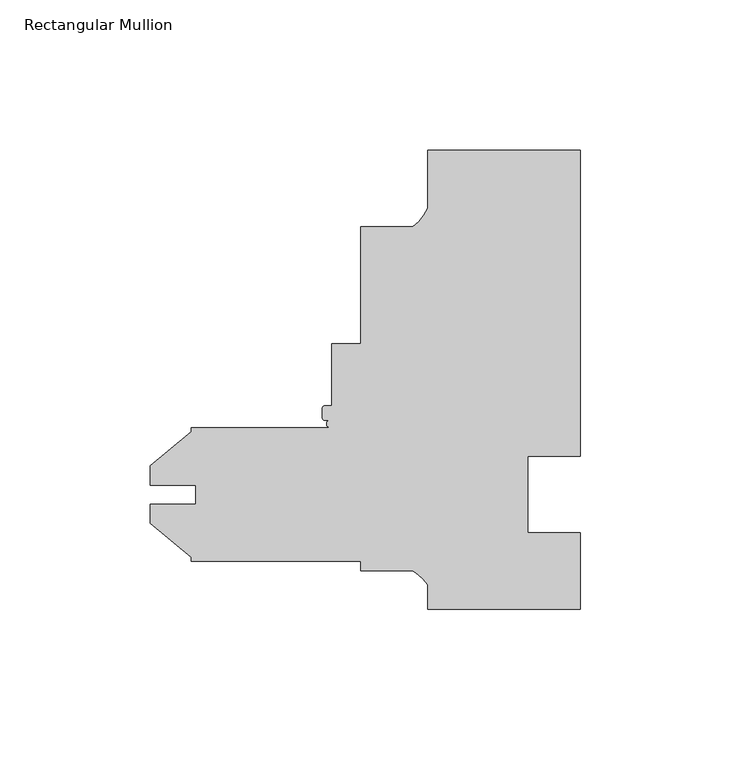
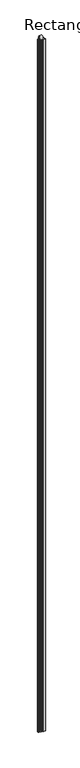
"""IFC4 building model written with IfcOpenShell, lengths in millimetres: member geometry, Rectangular Mullion."""

from ifc_helpers import new_model, si_unit, frame, origin, place, context, project, spatial, polyline, circle_curve, source, transform, mapped, element, save
from ifc_brep_helpers import plane_surface, cylinder_surface, revolved_surface, advanced_brep


def rectangular_mullion_3e98a69f(model_context):
    return source(origin(), model_context, "Body", "AdvancedBrep", [
        advanced_brep(
        [(25.4, 152.4, 0.0), (-25.4, 152.4, 0.0), (-25.4, 133.228246, 0.0), (-30.2934851, 127.0, 0.0), (-47.625, 127.0, 0.0), (-47.625, 88.162055, 0.0), (-57.1524573, 88.162055, 0.0), (-57.1524573, 67.537255, 0.0), (-59.5400573, 67.537255, 0.0), (-60.3274573, 66.749855, 0.0), (-60.3274573, 63.549455, 0.0), (-59.5400573, 62.762055, 0.0), (-57.7417167, 62.768405, 0.0), (-57.7417167, 60.325, 0.0), (-103.98125, 60.325, 0.0), (-103.98125, 58.9257533, 0.0), (-117.44325, 47.629794, 0.0), (-117.44325, 41.2595221, 0.0), (-102.40645, 41.2595221, 0.0), (-102.40645, 34.9353979, 0.0), (-117.44325, 34.9353979, 0.0), (-117.44325, 28.565126, 0.0), (-103.98125, 17.2691667, 0.0), (-103.98125, 15.875, 0.0), (-47.625, 15.875, 0.0), (-47.625, 12.7, 0.0), (-30.3723453, 12.7, 0.0), (-25.4000102, 8.1515407, 0.0), (-25.4000102, 0.0, 0.0), (25.3999898, 0.0, 0.0), (25.3999898, 25.4, 0.0), (7.9502, 25.4, 0.0), (7.9502, 50.8, 0.0), (25.4, 50.8, 0.0), (25.4, 152.4, -15837.0064664), (25.4, 50.8, -15837.0064664), (7.9502, 50.8, -15837.0064664), (7.9502, 25.4, -15837.0064664), (25.3999898, 25.4, -15837.0064664), (25.3999898, 0.0, -15837.0064664), (-25.4000102, 0.0, -15837.0064664), (-25.4000102, 8.1515407, -15837.0064664), (-30.3723453, 12.7, -15837.0064664), (-47.625, 12.7, -15837.0064664), (-47.625, 15.875, -15837.0064664), (-103.98125, 15.875, -15837.0064664), (-103.98125, 17.2691667, -15837.0064664), (-117.44325, 28.565126, -15837.0064664), (-117.44325, 34.9353979, -15837.0064664), (-102.40645, 34.9353979, -15837.0064664), (-102.40645, 41.2595221, -15837.0064664), (-117.44325, 41.2595221, -15837.0064664), (-117.44325, 47.629794, -15837.0064664), (-103.98125, 58.9257533, -15837.0064664), (-103.98125, 60.325, -15837.0064664), (-57.7417167, 60.325, -15837.0064664), (-57.7417167, 62.768405, -15837.0064664), (-59.5400573, 62.762055, -15837.0064664), (-60.3274573, 63.549455, -15837.0064664), (-60.3274573, 66.749855, -15837.0064664), (-59.5400573, 67.537255, -15837.0064664), (-57.1524573, 67.537255, -15837.0064664), (-57.1524573, 88.162055, -15837.0064664), (-47.625, 88.162055, -15837.0064664), (-47.625, 127.0, -15837.0064664), (-30.2934851, 127.0, -15837.0064664), (-25.4, 133.228246, -15837.0064664), (-25.4, 152.4, -15837.0064664)],
        [
            (0, 1),
            (1, 2),
            (2, 3, circle_curve(frame((-39.5144624, 139.281361, 0.0), z_axis=(0.0, 0.0, -1.0), x_axis=(1.0, 0.0, 0.0)), 15.3576772)),
            (3, 4),
            (4, 5),
            (5, 6),
            (6, 7),
            (7, 8),
            (8, 9, circle_curve(frame((-59.5400573, 66.749855, 0.0), z_axis=(0.0, 0.0, 1.0), x_axis=(1.0, 0.0, 0.0)), 0.7874)),
            (9, 10),
            (10, 11, circle_curve(frame((-59.5400573, 63.549455, 0.0), z_axis=(0.0, 0.0, 1.0), x_axis=(1.0, 0.0, 0.0)), 0.7874)),
            (11, 12),
            (12, 13, circle_curve(frame((-57.7417167, 61.5467025, 0.0), z_axis=(0.0, 0.0, 1.0), x_axis=(1.0, 0.0, 0.0)), 1.2217025)),
            (13, 14),
            (14, 15),
            (15, 16),
            (16, 17),
            (17, 18),
            (18, 19),
            (19, 20),
            (20, 21),
            (21, 22),
            (22, 23),
            (23, 24),
            (24, 25),
            (25, 26),
            (26, 27, circle_curve(frame((-37.3094465, 0.1243368, 0.0), z_axis=(0.0, 0.0, -1.0), x_axis=(1.0, 0.0, 0.0)), 14.3621265)),
            (27, 28),
            (28, 29),
            (29, 30),
            (30, 31),
            (31, 32),
            (32, 33),
            (33, 0),
            (34, 35),
            (35, 36),
            (36, 37),
            (37, 38),
            (38, 39),
            (39, 40),
            (40, 41),
            (41, 42, circle_curve(frame((-37.3094465, 0.1243368, -15837.0064664), z_axis=(0.0, 0.0, 1.0), x_axis=(1.0, 0.0, 0.0)), 14.3621265)),
            (42, 43),
            (43, 44),
            (44, 45),
            (45, 46),
            (46, 47),
            (47, 48),
            (48, 49),
            (49, 50),
            (50, 51),
            (51, 52),
            (52, 53),
            (53, 54),
            (54, 55),
            (55, 56, circle_curve(frame((-57.7417167, 61.5467025, -15837.0064664), z_axis=(0.0, 0.0, -1.0), x_axis=(1.0, 0.0, 0.0)), 1.2217025)),
            (56, 57),
            (57, 58, circle_curve(frame((-59.5400573, 63.549455, -15837.0064664), z_axis=(0.0, 0.0, -1.0), x_axis=(1.0, 0.0, 0.0)), 0.7874)),
            (58, 59),
            (59, 60, circle_curve(frame((-59.5400573, 66.749855, -15837.0064664), z_axis=(0.0, 0.0, -1.0), x_axis=(1.0, 0.0, 0.0)), 0.7874)),
            (60, 61),
            (61, 62),
            (62, 63),
            (63, 64),
            (64, 65),
            (65, 66, circle_curve(frame((-39.5144624, 139.281361, -15837.0064664), z_axis=(0.0, 0.0, 1.0), x_axis=(1.0, 0.0, 0.0)), 15.3576772)),
            (66, 67),
            (67, 34),
            (0, 34),
            (67, 1),
            (66, 2),
            (65, 3),
            (64, 4),
            (63, 5),
            (62, 6),
            (61, 7),
            (60, 8),
            (59, 9),
            (58, 10),
            (57, 11),
            (56, 12),
            (55, 13),
            (54, 14),
            (53, 15),
            (52, 16),
            (51, 17),
            (50, 18),
            (49, 19),
            (48, 20),
            (47, 21),
            (46, 22),
            (45, 23),
            (44, 24),
            (43, 25),
            (42, 26),
            (41, 27),
            (40, 28),
            (39, 29),
            (38, 30),
            (37, 31),
            (36, 32),
            (35, 33),
        ],
        [
            plane_surface(frame((0.0, -154.5021683, 0.0), z_axis=(0.0, 0.0, 1.0), x_axis=(-1.0, 0.0, 0.0))),
            plane_surface(frame((0.0, -154.5021683, -15837.0064664), z_axis=(0.0, 0.0, -1.0), x_axis=(-1.0, 0.0, 0.0))),
            plane_surface(frame((25.4, 152.4, 0.0), z_axis=(0.0, 1.0, 0.0), x_axis=(0.0, 0.0, -1.0))),
            plane_surface(frame((-25.4, 152.4, 0.0), z_axis=(-1.0, 0.0, 0.0), x_axis=(0.0, 0.0, -1.0))),
            revolved_surface(polyline([(-24.1567852, 139.281361, -15837.0064664), (-24.1567852, 139.281361, 0.0)]), (-39.5144624, 139.281361, 0.0), (0.0, 0.0, -1.0)),
            plane_surface(frame((-30.2934851, 127.0, 0.0), z_axis=(0.0, 1.0, 0.0), x_axis=(0.0, 0.0, -1.0))),
            plane_surface(frame((-47.625, 127.0, 0.0), z_axis=(-1.0, 0.0, 0.0), x_axis=(0.0, 0.0, -1.0))),
            plane_surface(frame((-47.625, 88.162055, 0.0), z_axis=(0.0, 1.0, 0.0), x_axis=(0.0, 0.0, -1.0))),
            plane_surface(frame((-57.1524573, 88.162055, 0.0), z_axis=(-1.0, 0.0, 0.0), x_axis=(0.0, 0.0, -1.0))),
            plane_surface(frame((-57.1524573, 67.537255, 0.0), z_axis=(0.0, 1.0, 0.0), x_axis=(0.0, 0.0, -1.0))),
            cylinder_surface(frame((-59.5400573, 66.749855, 0.0), z_axis=(0.0, 0.0, 1.0), x_axis=(1.0, 0.0, 0.0)), 0.7874),
            plane_surface(frame((-60.3274573, 66.749855, 0.0), z_axis=(-1.0, 0.0, 0.0), x_axis=(0.0, 0.0, -1.0))),
            cylinder_surface(frame((-59.5400573, 63.549455, 0.0), z_axis=(0.0, 0.0, 1.0), x_axis=(1.0, 0.0, 0.0)), 0.7874),
            plane_surface(frame((-59.5400573, 62.762055, 0.0), z_axis=(0.003531010986413232, -0.9999937659612753, 0.0), x_axis=(0.0, 0.0, -1.0))),
            cylinder_surface(frame((-57.7417167, 61.5467025, 0.0), z_axis=(0.0, 0.0, 1.0), x_axis=(1.0, 0.0, 0.0)), 1.2217025),
            plane_surface(frame((-57.7417167, 60.325, 0.0), z_axis=(0.0, 1.0, 0.0), x_axis=(0.0, 0.0, -1.0))),
            plane_surface(frame((-103.98125, 60.325, 0.0), z_axis=(-1.0, 0.0, 0.0), x_axis=(0.0, 0.0, -1.0))),
            plane_surface(frame((-103.98125, 58.9257533, 0.0), z_axis=(-0.6427876096865351, 0.7660444431189816, 0.0), x_axis=(0.0, 0.0, -1.0))),
            plane_surface(frame((-117.44325, 47.629794, 0.0), z_axis=(-1.0, 0.0, 0.0), x_axis=(0.0, 0.0, -1.0))),
            plane_surface(frame((-117.44325, 41.2595221, 0.0), z_axis=(0.0, -1.0, 0.0), x_axis=(0.0, 0.0, -1.0))),
            plane_surface(frame((-102.40645, 41.2595221, 0.0), z_axis=(-1.0, 0.0, 0.0), x_axis=(0.0, 0.0, -1.0))),
            plane_surface(frame((-102.40645, 34.9353979, 0.0), z_axis=(0.0, 1.0, 0.0), x_axis=(0.0, 0.0, -1.0))),
            plane_surface(frame((-117.44325, 34.9353979, 0.0), z_axis=(-1.0, 0.0, 0.0), x_axis=(0.0, 0.0, -1.0))),
            plane_surface(frame((-117.44325, 28.565126, 0.0), z_axis=(-0.6427876096865389, -0.7660444431189785, 0.0), x_axis=(0.0, 0.0, -1.0))),
            plane_surface(frame((-103.98125, 17.2691667, 0.0), z_axis=(-1.0, 0.0, 0.0), x_axis=(0.0, 0.0, -1.0))),
            plane_surface(frame((-103.98125, 15.875, 0.0), z_axis=(0.0, -1.0, 0.0), x_axis=(0.0, 0.0, -1.0))),
            plane_surface(frame((-47.625, 15.875, 0.0), z_axis=(-1.0, 0.0, 0.0), x_axis=(0.0, 0.0, -1.0))),
            plane_surface(frame((-47.625, 12.7, 0.0), z_axis=(0.0, -1.0, 0.0), x_axis=(0.0, 0.0, -1.0))),
            revolved_surface(polyline([(-22.947319999999998, 0.1243368, -15837.0064664), (-22.947319999999998, 0.1243368, 0.0)]), (-37.3094465, 0.1243368, 0.0), (0.0, 0.0, -1.0)),
            plane_surface(frame((-25.4000102, 8.1515407, 0.0), z_axis=(-1.0, 0.0, 0.0), x_axis=(0.0, 0.0, -1.0))),
            plane_surface(frame((-25.4000102, 0.0, 0.0), z_axis=(0.0, -1.0, 0.0), x_axis=(0.0, 0.0, -1.0))),
            plane_surface(frame((25.3999898, 0.0, 0.0), z_axis=(1.0, 0.0, 0.0), x_axis=(0.0, 0.0, -1.0))),
            plane_surface(frame((25.3999898, 25.4, 0.0), z_axis=(0.0, 1.0, 0.0), x_axis=(0.0, 0.0, -1.0))),
            plane_surface(frame((7.9502, 25.4, 0.0), z_axis=(1.0, 0.0, 0.0), x_axis=(0.0, 0.0, -1.0))),
            plane_surface(frame((7.9502, 50.8, 0.0), z_axis=(0.0, -1.0, 0.0), x_axis=(0.0, 0.0, -1.0))),
            plane_surface(frame((25.4, 50.8, 0.0), z_axis=(1.0, 0.0, 0.0), x_axis=(0.0, 0.0, -1.0))),
        ],
        [
            (0, [[1, 2, 3, 4, 5, 6, 7, 8, 9, 10, 11, 12, 13, 14, 15, 16, 17, 18, 19, 20, 21, 22, 23, 24, 25, 26, 27, 28, 29, 30, 31, 32, 33, 34]]),
            (1, [[35, 36, 37, 38, 39, 40, 41, 42, 43, 44, 45, 46, 47, 48, 49, 50, 51, 52, 53, 54, 55, 56, 57, 58, 59, 60, 61, 62, 63, 64, 65, 66, 67, 68]]),
            (2, [[-1, 69, -68, 70]]),
            (3, [[-2, -70, -67, 71]]),
            (4, [[-3, -71, -66, 72]]),
            (5, [[-4, -72, -65, 73]]),
            (6, [[-5, -73, -64, 74]]),
            (7, [[-6, -74, -63, 75]]),
            (8, [[-7, -75, -62, 76]]),
            (9, [[-8, -76, -61, 77]]),
            (10, [[-9, -77, -60, 78]]),
            (11, [[-10, -78, -59, 79]]),
            (12, [[-11, -79, -58, 80]]),
            (13, [[-12, -80, -57, 81]]),
            (14, [[-13, -81, -56, 82]]),
            (15, [[-14, -82, -55, 83]]),
            (16, [[-15, -83, -54, 84]]),
            (17, [[-16, -84, -53, 85]]),
            (18, [[-17, -85, -52, 86]]),
            (19, [[-18, -86, -51, 87]]),
            (20, [[-19, -87, -50, 88]]),
            (21, [[-20, -88, -49, 89]]),
            (22, [[-21, -89, -48, 90]]),
            (23, [[-22, -90, -47, 91]]),
            (24, [[-23, -91, -46, 92]]),
            (25, [[-24, -92, -45, 93]]),
            (26, [[-25, -93, -44, 94]]),
            (27, [[-26, -94, -43, 95]]),
            (28, [[-27, -95, -42, 96]]),
            (29, [[-28, -96, -41, 97]]),
            (30, [[-29, -97, -40, 98]]),
            (31, [[-30, -98, -39, 99]]),
            (32, [[-31, -99, -38, 100]]),
            (33, [[-32, -100, -37, 101]]),
            (34, [[-33, -101, -36, 102]]),
            (35, [[-34, -102, -35, -69]]),
        ],
    ),
    ])


if __name__ == "__main__":
    model = new_model("IFC4")
    model_context = context("Model", 3, world=origin())
    ifc_project = project(units=[si_unit("LENGTHUNIT", "METRE", prefix="MILLI")], contexts=[model_context])
    site = spatial("IfcSite", under=ifc_project)
    building = spatial("IfcBuilding", under=site)
    placement = place(None, origin())
    rectangular_mullion_shape = rectangular_mullion_3e98a69f(model_context)
    element("IfcMember", 1, ObjectType="Rectangular Mullion", at=placement, inside=building, context=model_context, shape_type="MappedRepresentation", body=[
        mapped(rectangular_mullion_shape, transform((0.0, 0.0, 0.0), x_axis=(1.0, 0.0, 0.0), y_axis=(0.0, 1.0, 0.0), z_axis=(0.0, 0.0, 1.0))),
    ])
    save(model, "model.ifc")
